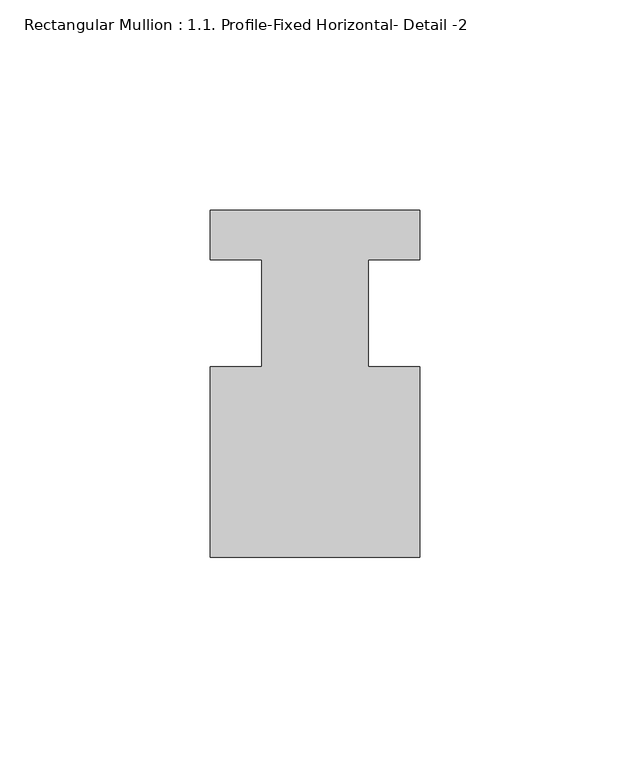
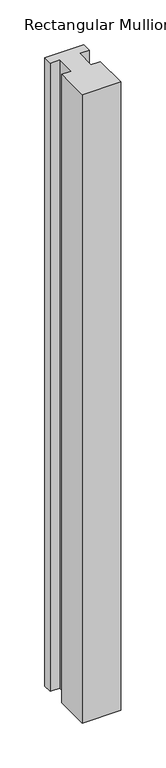
"""IFC4 building model written with IfcOpenShell, lengths in millimetres: member geometry, Rectangular Mullion : 1.1. Profile-Fixed Horizontal- Detail -2."""

from ifc_helpers import new_model, si_unit, frame, origin, place, context, project, spatial, polyline, outline, extrude, source, transform, mapped, element, save


def rectangular_mullion_1_1_profile_fixed_horizontal_detail_2_a6005763(model_context):
    return source(origin(), model_context, "Body", "SweptSolid", [
        extrude(outline(polyline([(23.8622793, 41.5941178), (23.8622793, 29.7577178), (11.6448793, 29.7577178), (11.6448793, 4.3577178), (23.8622793, 4.3577178), (23.8622793, -40.9558822), (-25.9725207, -40.9558822), (-25.9725207, 4.3577178), (-13.7551207, 4.3577178), (-13.7551207, 29.7577178), (-25.9725207, 29.7577178), (-25.9725207, 41.5941178), (23.8622793, 41.5941178)])), frame((0.0, 0.0, -853.4908), z_axis=(0.0, 0.0, 1.0), x_axis=(1.0, 0.0, 0.0)), (0.0, 0.0, 1.0), 853.4908),
    ])


if __name__ == "__main__":
    model = new_model("IFC4")
    model_context = context("Model", 3, world=origin())
    ifc_project = project(units=[si_unit("LENGTHUNIT", "METRE", prefix="MILLI")], contexts=[model_context])
    site = spatial("IfcSite", under=ifc_project)
    building = spatial("IfcBuilding", under=site)
    placement = place(None, origin())
    rectangular_mullion_1_1_profile_fixed_horizontal_detail_2_shape = rectangular_mullion_1_1_profile_fixed_horizontal_detail_2_a6005763(model_context)
    element("IfcMember", 1, ObjectType="Rectangular Mullion : 1.1. Profile-Fixed Horizontal- Detail -2", at=placement, inside=building, context=model_context, shape_type="MappedRepresentation", body=[
        mapped(rectangular_mullion_1_1_profile_fixed_horizontal_detail_2_shape, transform((0.0, 0.0, 0.0), x_axis=(1.0, 0.0, 0.0), y_axis=(0.0, 1.0, 0.0), z_axis=(0.0, 0.0, 1.0))),
    ])
    save(model, "model.ifc")
